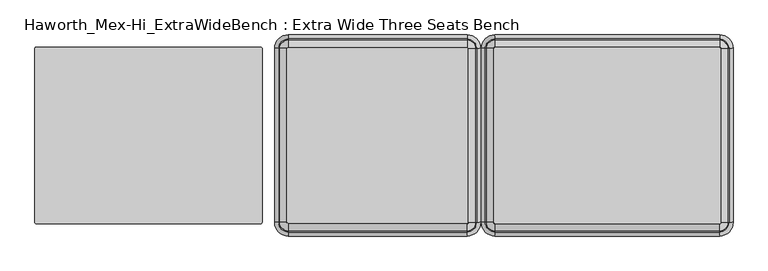
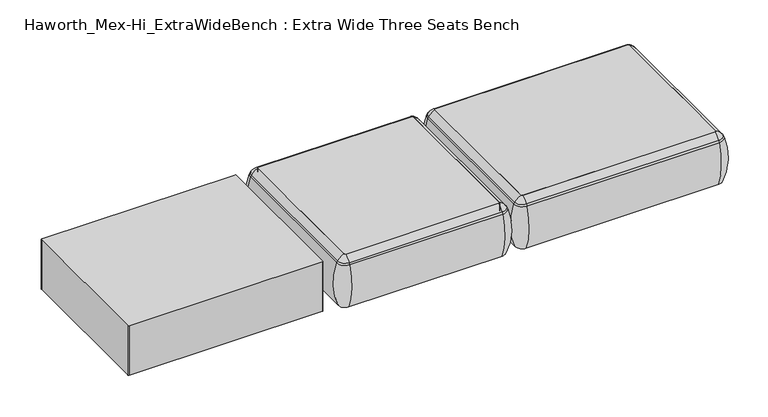
"""IFC4 building model written with IfcOpenShell, lengths in millimetres: furniture geometry, Haworth_Mex-Hi_ExtraWideBench : Extra Wide Three Seats Bench."""

from ifc_helpers import new_model, si_unit, point, frame, frame_2d, origin, place, context, project, spatial, polyline, circle_curve, ellipse_curve, trimmed, segment, composite_curve, outline, extrude, source, transform, mapped, element, save
from ifc_brep_helpers import plane_surface, cylinder_surface, revolved_surface, advanced_brep


def haworth_mex_hi_extrawidebench_extra_wide_three_seats_bench_a4999bfd(model_context):
    return source(origin(), model_context, "Body", "SolidModel", [
        advanced_brep(
        [(-550.6150954, -668.4794123, 390.3914007), (-545.3352882, -673.7592195, 390.3914007), (-545.3352882, -673.7592195, 123.9999984), (-550.6150954, -668.4794123, 123.9999984), (-579.3031396, -668.4794123, 123.9999984), (-545.3352882, -702.4472637, 123.9999984), (-545.3352882, -710.1267287, 353.7769053), (-586.9826046, -668.4794123, 353.7769053), (-550.6150954, 89.8571486, 123.9999984), (-550.6150954, 89.8571486, 390.3914007), (-586.9826046, 89.8571486, 353.7769053), (-579.3031396, 89.8571486, 123.9999984), (-545.3352882, 95.1369558, 390.3914007), (-545.3352882, 95.1369558, 123.9999984), (-545.3352882, 123.825, 123.9999984), (-545.3352882, 131.504465, 353.7769053), (234.4447118, 95.1369558, 123.9999984), (234.4447118, 95.1369558, 390.3914007), (234.4447118, 131.504465, 353.7769053), (234.4447118, 123.825, 123.9999984), (239.7245191, 89.8571486, 390.3914007), (239.7245191, 89.8571486, 123.9999984), (268.4125633, 89.8571486, 123.9999984), (276.0920283, 89.8571486, 353.7769053), (239.7245191, -668.4794123, 123.9999984), (239.7245191, -668.4794123, 390.3914007), (276.0920283, -668.4794123, 353.7769053), (268.4125633, -668.4794123, 123.9999984), (234.4447118, -673.7592195, 390.3914007), (234.4447118, -673.7592195, 123.9999984), (234.4447118, -702.4472637, 123.9999984), (234.4447118, -710.1267287, 353.7769053), (-581.7641447, -668.4794123, 363.6402875), (-545.3352882, -704.9082688, 363.6402875), (-581.7641447, 89.8571486, 363.6402875), (-545.3352882, 126.2860051, 363.6402875), (234.4447118, 126.2860051, 363.6402875), (270.8735684, 89.8571486, 363.6402875), (270.8735684, -668.4794123, 363.6402875), (234.4447118, -704.9082688, 363.6402875)],
        [
            (0, 1, circle_curve(frame((-545.3352882, -668.4794123, 390.3914007), z_axis=(0.0, 0.0, 1.0), x_axis=(0.0, -1.0, 0.0)), 5.2798073)),
            (1, 2),
            (2, 3, circle_curve(frame((-545.3352882, -668.4794123, 123.9999984), z_axis=(0.0, 0.0, -1.0), x_axis=(0.0, -1.0, 0.0)), 5.2798073)),
            (3, 0),
            (4, 5, circle_curve(frame((-545.3352882, -668.4794123, 123.9999984), z_axis=(0.0, 0.0, 1.0), x_axis=(0.0, -1.0, 0.0)), 33.9678514)),
            (5, 6, circle_curve(frame((-545.3352882, -406.0729797, 248.9220234), z_axis=(-1.0, 0.0, 0.0), x_axis=(0.0, -1.0, 0.0)), 321.625914)),
            (6, 7, circle_curve(frame((-545.3352882, -668.4794123, 353.7769053), z_axis=(0.0, 0.0, -1.0), x_axis=(0.0, -1.0, 0.0)), 41.6473165)),
            (7, 4, circle_curve(frame((-282.9288556, -668.4794123, 248.9220234), z_axis=(0.0, -1.0, 0.0), x_axis=(-1.0, 0.0, 0.0)), 321.625914)),
            (3, 8),
            (8, 9),
            (9, 0),
            (7, 10),
            (10, 11, circle_curve(frame((-282.9288556, 89.8571486, 248.9220234), z_axis=(0.0, -1.0, 0.0), x_axis=(-1.0, 0.0, 0.0)), 321.625914)),
            (11, 4),
            (12, 9, circle_curve(frame((-545.3352882, 89.8571486, 390.3914007), z_axis=(0.0, 0.0, 1.0), x_axis=(-1.0, 0.0, 0.0)), 5.2798073)),
            (8, 13, circle_curve(frame((-545.3352882, 89.8571486, 123.9999984), z_axis=(0.0, 0.0, -1.0), x_axis=(-1.0, 0.0, 0.0)), 5.2798073)),
            (13, 12),
            (14, 11, circle_curve(frame((-545.3352882, 89.8571486, 123.9999984), z_axis=(0.0, 0.0, 1.0), x_axis=(-1.0, 0.0, 0.0)), 33.9678514)),
            (10, 15, circle_curve(frame((-545.3352882, 89.8571486, 353.7769053), z_axis=(0.0, 0.0, -1.0), x_axis=(-1.0, 0.0, 0.0)), 41.6473165)),
            (15, 14, circle_curve(frame((-545.3352882, -172.549284, 248.9220234), z_axis=(-1.0, 0.0, 0.0), x_axis=(0.0, 1.0, 0.0)), 321.625914)),
            (13, 16),
            (16, 17),
            (17, 12),
            (15, 18),
            (18, 19, circle_curve(frame((234.4447118, -172.549284, 248.9220234), z_axis=(-1.0, 0.0, 0.0), x_axis=(0.0, 1.0, 0.0)), 321.625914)),
            (19, 14),
            (20, 17, circle_curve(frame((234.4447118, 89.8571486, 390.3914007), z_axis=(0.0, 0.0, 1.0), x_axis=(0.0, 1.0, 0.0)), 5.2798073)),
            (16, 21, circle_curve(frame((234.4447118, 89.8571486, 123.9999984), z_axis=(0.0, 0.0, -1.0), x_axis=(0.0, 1.0, 0.0)), 5.2798073)),
            (21, 20),
            (22, 19, circle_curve(frame((234.4447118, 89.8571486, 123.9999984), z_axis=(0.0, 0.0, 1.0), x_axis=(0.0, 1.0, 0.0)), 33.9678514)),
            (18, 23, circle_curve(frame((234.4447118, 89.8571486, 353.7769053), z_axis=(0.0, 0.0, -1.0), x_axis=(0.0, 1.0, 0.0)), 41.6473165)),
            (23, 22, circle_curve(frame((-27.9617207, 89.8571486, 248.9220234), z_axis=(0.0, 1.0, 0.0), x_axis=(1.0, 0.0, 0.0)), 321.625914)),
            (21, 24),
            (24, 25),
            (25, 20),
            (23, 26),
            (26, 27, circle_curve(frame((-27.9617207, -668.4794123, 248.9220234), z_axis=(0.0, 1.0, 0.0), x_axis=(1.0, 0.0, 0.0)), 321.625914)),
            (27, 22),
            (28, 25, circle_curve(frame((234.4447118, -668.4794123, 390.3914007), z_axis=(0.0, 0.0, 1.0), x_axis=(1.0, 0.0, 0.0)), 5.2798073)),
            (24, 29, circle_curve(frame((234.4447118, -668.4794123, 123.9999984), z_axis=(0.0, 0.0, -1.0), x_axis=(1.0, 0.0, 0.0)), 5.2798073)),
            (29, 28),
            (30, 27, circle_curve(frame((234.4447118, -668.4794123, 123.9999984), z_axis=(0.0, 0.0, 1.0), x_axis=(1.0, 0.0, 0.0)), 33.9678514)),
            (26, 31, circle_curve(frame((234.4447118, -668.4794123, 353.7769053), z_axis=(0.0, 0.0, -1.0), x_axis=(1.0, 0.0, 0.0)), 41.6473165)),
            (31, 30, circle_curve(frame((234.4447118, -406.0729797, 248.9220234), z_axis=(1.0, 0.0, 0.0), x_axis=(0.0, -1.0, 0.0)), 321.625914)),
            (30, 5),
            (2, 29),
            (1, 28),
            (31, 6),
            (32, 33, circle_curve(frame((-545.3352882, -668.4794123, 363.6402875), z_axis=(0.0, 0.0, 1.0), x_axis=(0.0, -1.0, 0.0)), 36.4288566)),
            (33, 1, circle_curve(frame((-545.3352882, -629.5266, 307.3762868), z_axis=(-1.0, 0.0, 0.0), x_axis=(0.0, -1.0, 0.0)), 94.0639876)),
            (0, 32, circle_curve(frame((-506.3824759, -668.4794123, 307.3762868), z_axis=(0.0, -1.0, 0.0), x_axis=(-1.0, 0.0, 0.0)), 94.0639876)),
            (6, 33, circle_curve(frame((-545.3352882, -675.8620096, 341.9604975), z_axis=(-1.0, 0.0, 0.0), x_axis=(0.0, -1.0, 0.0)), 36.2449785)),
            (32, 7, circle_curve(frame((-552.7178855, -668.4794123, 341.9604975), z_axis=(0.0, -1.0, 0.0), x_axis=(-1.0, 0.0, 0.0)), 36.2449785)),
            (9, 34, circle_curve(frame((-506.3824759, 89.8571486, 307.3762868), z_axis=(0.0, -1.0, 0.0), x_axis=(-1.0, 0.0, 0.0)), 94.0639876)),
            (34, 32),
            (34, 10, circle_curve(frame((-552.7178855, 89.8571486, 341.9604975), z_axis=(0.0, -1.0, 0.0), x_axis=(-1.0, 0.0, 0.0)), 36.2449785)),
            (35, 34, circle_curve(frame((-545.3352882, 89.8571486, 363.6402875), z_axis=(0.0, 0.0, 1.0), x_axis=(-1.0, 0.0, 0.0)), 36.4288566)),
            (12, 35, circle_curve(frame((-545.3352882, 50.9043363, 307.3762868), z_axis=(-1.0, 0.0, 0.0), x_axis=(0.0, 1.0, 0.0)), 94.0639876)),
            (35, 15, circle_curve(frame((-545.3352882, 97.2397459, 341.9604975), z_axis=(-1.0, 0.0, 0.0), x_axis=(0.0, 1.0, 0.0)), 36.2449785)),
            (17, 36, circle_curve(frame((234.4447118, 50.9043363, 307.3762868), z_axis=(-1.0, 0.0, 0.0), x_axis=(0.0, 1.0, 0.0)), 94.0639876)),
            (36, 35),
            (36, 18, circle_curve(frame((234.4447118, 97.2397459, 341.9604975), z_axis=(-1.0, 0.0, 0.0), x_axis=(0.0, 1.0, 0.0)), 36.2449785)),
            (37, 36, circle_curve(frame((234.4447118, 89.8571486, 363.6402875), z_axis=(0.0, 0.0, 1.0), x_axis=(0.0, 1.0, 0.0)), 36.4288566)),
            (20, 37, circle_curve(frame((195.4918996, 89.8571486, 307.3762868), z_axis=(0.0, 1.0, 0.0), x_axis=(1.0, 0.0, 0.0)), 94.0639876)),
            (37, 23, circle_curve(frame((241.8273092, 89.8571486, 341.9604975), z_axis=(0.0, 1.0, 0.0), x_axis=(1.0, 0.0, 0.0)), 36.2449785)),
            (25, 38, circle_curve(frame((195.4918996, -668.4794123, 307.3762868), z_axis=(0.0, 1.0, 0.0), x_axis=(1.0, 0.0, 0.0)), 94.0639876)),
            (38, 37),
            (38, 26, circle_curve(frame((241.8273092, -668.4794123, 341.9604975), z_axis=(0.0, 1.0, 0.0), x_axis=(1.0, 0.0, 0.0)), 36.2449785)),
            (39, 38, circle_curve(frame((234.4447118, -668.4794123, 363.6402875), z_axis=(0.0, 0.0, 1.0), x_axis=(1.0, 0.0, 0.0)), 36.4288566)),
            (28, 39, circle_curve(frame((234.4447118, -629.5266, 307.3762868), z_axis=(1.0, 0.0, 0.0), x_axis=(0.0, -1.0, 0.0)), 94.0639876)),
            (39, 31, circle_curve(frame((234.4447118, -675.8620096, 341.9604975), z_axis=(1.0, 0.0, 0.0), x_axis=(0.0, -1.0, 0.0)), 36.2449785)),
            (33, 39),
        ],
        [
            revolved_surface(polyline([(-545.3352882, -673.7592196, 123.9999984), (-545.3352882, -673.7592196, 390.3914007)]), (-545.3352882, -668.4794123, 0.0), (0.0, 0.0, -1.0)),
            revolved_surface(trimmed(ellipse_curve(frame((-545.3352882, -406.0729797, 248.9220234), z_axis=(1.0, 0.0, 0.0), x_axis=(0.0, -1.0, 0.0)), 321.625914, 321.625914), [point((-545.3352882, -710.1267287, 353.7769053))], [point((-545.3352882, -702.4472637, 123.9999984))], True, "CARTESIAN"), (-545.3352882, -668.4794123, 0.0), (0.0, 0.0, -1.0)),
            plane_surface(frame((-550.6150954, -668.4794123, 123.9999984), z_axis=(1.0, 0.0, 0.0), x_axis=(0.0, 1.0, 0.0))),
            cylinder_surface(frame((-282.9288556, -668.4794123, 248.9220234), z_axis=(0.0, -1.0, 0.0), x_axis=(-1.0, 0.0, 0.0)), 321.625914),
            revolved_surface(polyline([(-550.6150955, 89.8571486, 123.9999984), (-550.6150955, 89.8571486, 390.3914007)]), (-545.3352882, 89.8571486, 0.0), (0.0, 0.0, -1.0)),
            revolved_surface(trimmed(ellipse_curve(frame((-282.9288556, 89.8571486, 248.9220234), z_axis=(0.0, -1.0, 0.0), x_axis=(-1.0, 0.0, 0.0)), 321.625914, 321.625914), [point((-586.9826046, 89.8571486, 353.7769053))], [point((-579.3031396, 89.8571486, 123.9999984))], True, "CARTESIAN"), (-545.3352882, 89.8571486, 0.0), (0.0, 0.0, -1.0)),
            plane_surface(frame((-545.3352882, 95.1369558, 123.9999984), z_axis=(0.0, -1.0, 0.0), x_axis=(1.0, 0.0, 0.0))),
            cylinder_surface(frame((-545.3352882, -172.549284, 248.9220234), z_axis=(-1.0, 0.0, 0.0), x_axis=(0.0, 1.0, 0.0)), 321.625914),
            revolved_surface(polyline([(234.4447118, 95.1369559, 123.9999984), (234.4447118, 95.1369559, 390.3914007)]), (234.4447118, 89.8571486, 0.0), (0.0, 0.0, -1.0)),
            revolved_surface(trimmed(ellipse_curve(frame((234.4447118, -172.549284, 248.9220234), z_axis=(-1.0, 0.0, 0.0), x_axis=(0.0, 1.0, 0.0)), 321.625914, 321.625914), [point((234.4447118, 131.504465, 353.7769053))], [point((234.4447118, 123.825, 123.9999984))], True, "CARTESIAN"), (234.4447118, 89.8571486, 0.0), (0.0, 0.0, -1.0)),
            plane_surface(frame((239.7245191, 89.8571486, 123.9999984), z_axis=(-1.0, 0.0, 0.0), x_axis=(0.0, -1.0, 0.0))),
            cylinder_surface(frame((-27.9617207, 89.8571486, 248.9220234), z_axis=(0.0, 1.0, 0.0), x_axis=(1.0, 0.0, 0.0)), 321.625914),
            revolved_surface(polyline([(239.72451909999998, -668.4794123, 123.9999984), (239.72451909999998, -668.4794123, 390.3914007)]), (234.4447118, -668.4794123, 0.0), (0.0, 0.0, -1.0)),
            revolved_surface(trimmed(ellipse_curve(frame((-27.9617207, -668.4794123, 248.9220234), z_axis=(0.0, 1.0, 0.0), x_axis=(1.0, 0.0, 0.0)), 321.625914, 321.625914), [point((276.0920283, -668.4794123, 353.7769053))], [point((268.4125633, -668.4794123, 123.9999984))], True, "CARTESIAN"), (234.4447118, -668.4794123, 0.0), (0.0, 0.0, -1.0)),
            plane_surface(frame((234.4447118, -702.4472637, 123.9999984), z_axis=(0.0, 0.0, -1.0), x_axis=(-1.0, 0.0, 0.0))),
            plane_surface(frame((234.4447118, -673.7592195, 123.9999984), z_axis=(0.0, 1.0, 0.0), x_axis=(-1.0, 0.0, 0.0))),
            cylinder_surface(frame((234.4447118, -406.0729797, 248.9220234), z_axis=(1.0, 0.0, 0.0), x_axis=(0.0, -1.0, 0.0)), 321.625914),
            revolved_surface(trimmed(ellipse_curve(frame((-545.3352882, -629.5266, 307.3762868), z_axis=(1.0, 0.0, 0.0), x_axis=(0.0, -1.0, 0.0)), 94.0639876, 94.0639876), [point((-545.3352882, -673.7592195, 390.3914007))], [point((-545.3352882, -704.9082688, 363.6402875))], True, "CARTESIAN"), (-545.3352882, -668.4794123, 0.0), (0.0, 0.0, -1.0)),
            revolved_surface(trimmed(ellipse_curve(frame((-545.3352882, -675.8620096, 341.9604975), z_axis=(1.0, 0.0, 0.0), x_axis=(0.0, -1.0, 0.0)), 36.2449785, 36.2449785), [point((-545.3352882, -704.9082688, 363.6402875))], [point((-545.3352882, -710.1267287, 353.7769053))], True, "CARTESIAN"), (-545.3352882, -668.4794123, 0.0), (0.0, 0.0, -1.0)),
            cylinder_surface(frame((-506.3824759, -668.4794123, 307.3762868), z_axis=(0.0, -1.0, 0.0), x_axis=(-1.0, 0.0, 0.0)), 94.0639876),
            cylinder_surface(frame((-552.7178855, -668.4794123, 341.9604975), z_axis=(0.0, -1.0, 0.0), x_axis=(-1.0, 0.0, 0.0)), 36.2449785),
            revolved_surface(trimmed(ellipse_curve(frame((-506.3824759, 89.8571486, 307.3762868), z_axis=(0.0, -1.0, 0.0), x_axis=(-1.0, 0.0, 0.0)), 94.0639876, 94.0639876), [point((-550.6150954, 89.8571486, 390.3914007))], [point((-581.7641447, 89.8571486, 363.6402875))], True, "CARTESIAN"), (-545.3352882, 89.8571486, 0.0), (0.0, 0.0, -1.0)),
            revolved_surface(trimmed(ellipse_curve(frame((-552.7178855, 89.8571486, 341.9604975), z_axis=(0.0, -1.0, 0.0), x_axis=(-1.0, 0.0, 0.0)), 36.2449785, 36.2449785), [point((-581.7641447, 89.8571486, 363.6402875))], [point((-586.9826046, 89.8571486, 353.7769053))], True, "CARTESIAN"), (-545.3352882, 89.8571486, 0.0), (0.0, 0.0, -1.0)),
            cylinder_surface(frame((-545.3352882, 50.9043363, 307.3762868), z_axis=(-1.0, 0.0, 0.0), x_axis=(0.0, 1.0, 0.0)), 94.0639876),
            cylinder_surface(frame((-545.3352882, 97.2397459, 341.9604975), z_axis=(-1.0, 0.0, 0.0), x_axis=(0.0, 1.0, 0.0)), 36.2449785),
            revolved_surface(trimmed(ellipse_curve(frame((234.4447118, 50.9043363, 307.3762868), z_axis=(-1.0, 0.0, 0.0), x_axis=(0.0, 1.0, 0.0)), 94.0639876, 94.0639876), [point((234.4447118, 95.1369558, 390.3914007))], [point((234.4447118, 126.2860051, 363.6402875))], True, "CARTESIAN"), (234.4447118, 89.8571486, 0.0), (0.0, 0.0, -1.0)),
            revolved_surface(trimmed(ellipse_curve(frame((234.4447118, 97.2397459, 341.9604975), z_axis=(-1.0, 0.0, 0.0), x_axis=(0.0, 1.0, 0.0)), 36.2449785, 36.2449785), [point((234.4447118, 126.2860051, 363.6402875))], [point((234.4447118, 131.504465, 353.7769053))], True, "CARTESIAN"), (234.4447118, 89.8571486, 0.0), (0.0, 0.0, -1.0)),
            cylinder_surface(frame((195.4918996, 89.8571486, 307.3762868), z_axis=(0.0, 1.0, 0.0), x_axis=(1.0, 0.0, 0.0)), 94.0639876),
            cylinder_surface(frame((241.8273092, 89.8571486, 341.9604975), z_axis=(0.0, 1.0, 0.0), x_axis=(1.0, 0.0, 0.0)), 36.2449785),
            revolved_surface(trimmed(ellipse_curve(frame((195.4918996, -668.4794123, 307.3762868), z_axis=(0.0, 1.0, 0.0), x_axis=(1.0, 0.0, 0.0)), 94.0639876, 94.0639876), [point((239.7245191, -668.4794123, 390.3914007))], [point((270.8735684, -668.4794123, 363.6402875))], True, "CARTESIAN"), (234.4447118, -668.4794123, 0.0), (0.0, 0.0, -1.0)),
            revolved_surface(trimmed(ellipse_curve(frame((241.8273092, -668.4794123, 341.9604975), z_axis=(0.0, 1.0, 0.0), x_axis=(1.0, 0.0, 0.0)), 36.2449785, 36.2449785), [point((270.8735684, -668.4794123, 363.6402875))], [point((276.0920283, -668.4794123, 353.7769053))], True, "CARTESIAN"), (234.4447118, -668.4794123, 0.0), (0.0, 0.0, -1.0)),
            cylinder_surface(frame((234.4447118, -629.5266, 307.3762868), z_axis=(1.0, 0.0, 0.0), x_axis=(0.0, -1.0, 0.0)), 94.0639876),
            cylinder_surface(frame((234.4447118, -675.8620096, 341.9604975), z_axis=(1.0, 0.0, 0.0), x_axis=(0.0, -1.0, 0.0)), 36.2449785),
        ],
        [
            (0, [[1, 2, 3, 4]]),
            (1, [[5, 6, 7, 8]]),
            (2, [[-4, 9, 10, 11]]),
            (3, [[-8, 12, 13, 14]]),
            (4, [[15, -10, 16, 17]]),
            (5, [[18, -13, 19, 20]]),
            (6, [[-17, 21, 22, 23]]),
            (7, [[-20, 24, 25, 26]]),
            (8, [[27, -22, 28, 29]]),
            (9, [[30, -25, 31, 32]]),
            (10, [[-29, 33, 34, 35]]),
            (11, [[-32, 36, 37, 38]]),
            (12, [[39, -34, 40, 41]]),
            (13, [[42, -37, 43, 44]]),
            (14, [[-38, -42, 45, -5, -14, -18, -26, -30], [46, -40, -33, -28, -21, -16, -9, -3]]),
            (15, [[-41, -46, -2, 47]]),
            (16, [[-44, 48, -6, -45]]),
            (17, [[49, 50, -1, 51]]),
            (18, [[-7, 52, -49, 53]]),
            (19, [[-51, -11, 54, 55]]),
            (20, [[-53, -55, 56, -12]]),
            (21, [[57, -54, -15, 58]]),
            (22, [[-19, -56, -57, 59]]),
            (23, [[-58, -23, 60, 61]]),
            (24, [[-59, -61, 62, -24]]),
            (25, [[63, -60, -27, 64]]),
            (26, [[-31, -62, -63, 65]]),
            (27, [[-64, -35, 66, 67]]),
            (28, [[-65, -67, 68, -36]]),
            (29, [[69, -66, -39, 70]]),
            (30, [[-43, -68, -69, 71]]),
            (31, [[-70, -47, -50, 72]]),
            (32, [[-71, -72, -52, -48]]),
        ],
    ),
        extrude(outline(composite_curve([segment(trimmed(circle_curve(frame_2d((234.4447118, -668.4794123)), 5.2798073), [point((239.7245191, -668.4794123))], [point((234.4447118, -673.7592195))], False, "CARTESIAN"), True, "CONTINUOUS"), segment(polyline([(234.4447118, -673.7592195), (-545.3352882, -673.7592195)]), True, "CONTINUOUS"), segment(trimmed(circle_curve(frame_2d((-545.3352882, -668.4794123)), 5.2798073), [point((-545.3352882, -673.7592195))], [point((-550.6150954, -668.4794123))], False, "CARTESIAN"), True, "CONTINUOUS"), segment(polyline([(-550.6150954, -668.4794123), (-550.6150954, 89.8571486)]), True, "CONTINUOUS"), segment(trimmed(circle_curve(frame_2d((-545.3352882, 89.8571486)), 5.2798073), [point((-550.6150954, 89.8571486))], [point((-545.3352882, 95.1369558))], False, "CARTESIAN"), True, "CONTINUOUS"), segment(polyline([(-545.3352882, 95.1369558), (234.4447118, 95.1369558)]), True, "CONTINUOUS"), segment(trimmed(circle_curve(frame_2d((234.4447118, 89.8571486)), 5.2798073), [point((234.4447118, 95.1369558))], [point((239.7245191, 89.8571486))], False, "CARTESIAN"), True, "CONTINUOUS"), segment(polyline([(239.7245191, 89.8571486), (239.7245191, -668.4794123)]), True, "CONTINUOUS")], self_intersect=False)), frame((0.0, 0.0, 123.9999984), z_axis=(0.0, 0.0, 1.0), x_axis=(1.0, 0.0, 0.0)), (0.0, 0.0, 1.0), 266.3914023),
        extrude(outline(composite_curve([segment(trimmed(circle_curve(frame_2d((1334.6615868, -668.4794123)), 5.2798073), [point((1339.9413941, -668.4794123))], [point((1334.6615868, -673.7592195))], False, "CARTESIAN"), True, "CONTINUOUS"), segment(polyline([(1334.6615868, -673.7592195), (355.4915868, -673.7592195)]), True, "CONTINUOUS"), segment(trimmed(circle_curve(frame_2d((355.4915868, -668.4794123)), 5.2798073), [point((355.4915868, -673.7592195))], [point((350.2117796, -668.4794123))], False, "CARTESIAN"), True, "CONTINUOUS"), segment(polyline([(350.2117796, -668.4794123), (350.2117796, 89.8571486)]), True, "CONTINUOUS"), segment(trimmed(circle_curve(frame_2d((355.4915868, 89.8571486)), 5.2798073), [point((350.2117796, 89.8571486))], [point((355.4915868, 95.1369558))], False, "CARTESIAN"), True, "CONTINUOUS"), segment(polyline([(355.4915868, 95.1369558), (1334.6615868, 95.1369558)]), True, "CONTINUOUS"), segment(trimmed(circle_curve(frame_2d((1334.6615868, 89.8571486)), 5.2798073), [point((1334.6615868, 95.1369558))], [point((1339.9413941, 89.8571486))], False, "CARTESIAN"), True, "CONTINUOUS"), segment(polyline([(1339.9413941, 89.8571486), (1339.9413941, -668.4794123)]), True, "CONTINUOUS")], self_intersect=False)), frame((0.0, 0.0, 123.9999984), z_axis=(0.0, 0.0, 1.0), x_axis=(1.0, 0.0, 0.0)), (0.0, 0.0, 1.0), 266.3914023),
        advanced_brep(
        [(350.2117796, -668.4794123, 390.3914007), (355.4915868, -673.7592195, 390.3914007), (355.4915868, -673.7592195, 123.9999984), (350.2117796, -668.4794123, 123.9999984), (321.5237354, -668.4794123, 123.9999984), (355.4915868, -702.4472637, 123.9999984), (355.4915868, -710.1267287, 353.7769053), (313.8442704, -668.4794123, 353.7769053), (350.2117796, 89.8571486, 123.9999984), (350.2117796, 89.8571486, 390.3914007), (313.8442704, 89.8571486, 353.7769053), (321.5237354, 89.8571486, 123.9999984), (355.4915868, 95.1369558, 390.3914007), (355.4915868, 95.1369558, 123.9999984), (355.4915868, 123.825, 123.9999984), (355.4915868, 131.504465, 353.7769053), (1334.6615868, 95.1369558, 123.9999984), (1334.6615868, 95.1369558, 390.3914007), (1334.6615868, 131.504465, 353.7769053), (1334.6615868, 123.825, 123.9999984), (1339.9413941, 89.8571486, 390.3914007), (1339.9413941, 89.8571486, 123.9999984), (1368.6294383, 89.8571486, 123.9999984), (1376.3089033, 89.8571486, 353.7769053), (1339.9413941, -668.4794123, 123.9999984), (1339.9413941, -668.4794123, 390.3914007), (1376.3089033, -668.4794123, 353.7769053), (1368.6294383, -668.4794123, 123.9999984), (1334.6615868, -673.7592195, 390.3914007), (1334.6615868, -673.7592195, 123.9999984), (1334.6615868, -702.4472637, 123.9999984), (1334.6615868, -710.1267287, 353.7769053), (319.0627303, -668.4794123, 363.6402875), (355.4915868, -704.9082688, 363.6402875), (319.0627303, 89.8571486, 363.6402875), (355.4915868, 126.2860051, 363.6402875), (1334.6615868, 126.2860051, 363.6402875), (1371.0904434, 89.8571486, 363.6402875), (1371.0904434, -668.4794123, 363.6402875), (1334.6615868, -704.9082688, 363.6402875)],
        [
            (0, 1, circle_curve(frame((355.4915868, -668.4794123, 390.3914007), z_axis=(0.0, 0.0, 1.0), x_axis=(0.0, -1.0, 0.0)), 5.2798073)),
            (1, 2),
            (2, 3, circle_curve(frame((355.4915868, -668.4794123, 123.9999984), z_axis=(0.0, 0.0, -1.0), x_axis=(0.0, -1.0, 0.0)), 5.2798073)),
            (3, 0),
            (4, 5, circle_curve(frame((355.4915868, -668.4794123, 123.9999984), z_axis=(0.0, 0.0, 1.0), x_axis=(0.0, -1.0, 0.0)), 33.9678514)),
            (5, 6, circle_curve(frame((355.4915868, -406.0729797, 248.9220234), z_axis=(-1.0, 0.0, 0.0), x_axis=(0.0, -1.0, 0.0)), 321.625914)),
            (6, 7, circle_curve(frame((355.4915868, -668.4794123, 353.7769053), z_axis=(0.0, 0.0, -1.0), x_axis=(0.0, -1.0, 0.0)), 41.6473165)),
            (7, 4, circle_curve(frame((617.8980194, -668.4794123, 248.9220234), z_axis=(0.0, -1.0, 0.0), x_axis=(-1.0, 0.0, 0.0)), 321.625914)),
            (3, 8),
            (8, 9),
            (9, 0),
            (7, 10),
            (10, 11, circle_curve(frame((617.8980194, 89.8571486, 248.9220234), z_axis=(0.0, -1.0, 0.0), x_axis=(-1.0, 0.0, 0.0)), 321.625914)),
            (11, 4),
            (12, 9, circle_curve(frame((355.4915868, 89.8571486, 390.3914007), z_axis=(0.0, 0.0, 1.0), x_axis=(-1.0, 0.0, 0.0)), 5.2798073)),
            (8, 13, circle_curve(frame((355.4915868, 89.8571486, 123.9999984), z_axis=(0.0, 0.0, -1.0), x_axis=(-1.0, 0.0, 0.0)), 5.2798073)),
            (13, 12),
            (14, 11, circle_curve(frame((355.4915868, 89.8571486, 123.9999984), z_axis=(0.0, 0.0, 1.0), x_axis=(-1.0, 0.0, 0.0)), 33.9678514)),
            (10, 15, circle_curve(frame((355.4915868, 89.8571486, 353.7769053), z_axis=(0.0, 0.0, -1.0), x_axis=(-1.0, 0.0, 0.0)), 41.6473165)),
            (15, 14, circle_curve(frame((355.4915868, -172.549284, 248.9220234), z_axis=(-1.0, 0.0, 0.0), x_axis=(0.0, 1.0, 0.0)), 321.625914)),
            (13, 16),
            (16, 17),
            (17, 12),
            (15, 18),
            (18, 19, circle_curve(frame((1334.6615868, -172.549284, 248.9220234), z_axis=(-1.0, 0.0, 0.0), x_axis=(0.0, 1.0, 0.0)), 321.625914)),
            (19, 14),
            (20, 17, circle_curve(frame((1334.6615868, 89.8571486, 390.3914007), z_axis=(0.0, 0.0, 1.0), x_axis=(0.0, 1.0, 0.0)), 5.2798073)),
            (16, 21, circle_curve(frame((1334.6615868, 89.8571486, 123.9999984), z_axis=(0.0, 0.0, -1.0), x_axis=(0.0, 1.0, 0.0)), 5.2798073)),
            (21, 20),
            (22, 19, circle_curve(frame((1334.6615868, 89.8571486, 123.9999984), z_axis=(0.0, 0.0, 1.0), x_axis=(0.0, 1.0, 0.0)), 33.9678514)),
            (18, 23, circle_curve(frame((1334.6615868, 89.8571486, 353.7769053), z_axis=(0.0, 0.0, -1.0), x_axis=(0.0, 1.0, 0.0)), 41.6473165)),
            (23, 22, circle_curve(frame((1072.2551543, 89.8571486, 248.9220234), z_axis=(0.0, 1.0, 0.0), x_axis=(1.0, 0.0, 0.0)), 321.625914)),
            (21, 24),
            (24, 25),
            (25, 20),
            (23, 26),
            (26, 27, circle_curve(frame((1072.2551543, -668.4794123, 248.9220234), z_axis=(0.0, 1.0, 0.0), x_axis=(1.0, 0.0, 0.0)), 321.625914)),
            (27, 22),
            (28, 25, circle_curve(frame((1334.6615868, -668.4794123, 390.3914007), z_axis=(0.0, 0.0, 1.0), x_axis=(1.0, 0.0, 0.0)), 5.2798073)),
            (24, 29, circle_curve(frame((1334.6615868, -668.4794123, 123.9999984), z_axis=(0.0, 0.0, -1.0), x_axis=(1.0, 0.0, 0.0)), 5.2798073)),
            (29, 28),
            (30, 27, circle_curve(frame((1334.6615868, -668.4794123, 123.9999984), z_axis=(0.0, 0.0, 1.0), x_axis=(1.0, 0.0, 0.0)), 33.9678514)),
            (26, 31, circle_curve(frame((1334.6615868, -668.4794123, 353.7769053), z_axis=(0.0, 0.0, -1.0), x_axis=(1.0, 0.0, 0.0)), 41.6473165)),
            (31, 30, circle_curve(frame((1334.6615868, -406.0729797, 248.9220234), z_axis=(1.0, 0.0, 0.0), x_axis=(0.0, -1.0, 0.0)), 321.625914)),
            (30, 5),
            (2, 29),
            (1, 28),
            (31, 6),
            (32, 33, circle_curve(frame((355.4915868, -668.4794123, 363.6402875), z_axis=(0.0, 0.0, 1.0), x_axis=(0.0, -1.0, 0.0)), 36.4288566)),
            (33, 1, circle_curve(frame((355.4915868, -629.5266, 307.3762868), z_axis=(-1.0, 0.0, 0.0), x_axis=(0.0, -1.0, 0.0)), 94.0639876)),
            (0, 32, circle_curve(frame((394.4443991, -668.4794123, 307.3762868), z_axis=(0.0, -1.0, 0.0), x_axis=(-1.0, 0.0, 0.0)), 94.0639876)),
            (6, 33, circle_curve(frame((355.4915868, -675.8620096, 341.9604975), z_axis=(-1.0, 0.0, 0.0), x_axis=(0.0, -1.0, 0.0)), 36.2449785)),
            (32, 7, circle_curve(frame((348.1089895, -668.4794123, 341.9604975), z_axis=(0.0, -1.0, 0.0), x_axis=(-1.0, 0.0, 0.0)), 36.2449785)),
            (9, 34, circle_curve(frame((394.4443991, 89.8571486, 307.3762868), z_axis=(0.0, -1.0, 0.0), x_axis=(-1.0, 0.0, 0.0)), 94.0639876)),
            (34, 32),
            (34, 10, circle_curve(frame((348.1089895, 89.8571486, 341.9604975), z_axis=(0.0, -1.0, 0.0), x_axis=(-1.0, 0.0, 0.0)), 36.2449785)),
            (35, 34, circle_curve(frame((355.4915868, 89.8571486, 363.6402875), z_axis=(0.0, 0.0, 1.0), x_axis=(-1.0, 0.0, 0.0)), 36.4288566)),
            (12, 35, circle_curve(frame((355.4915868, 50.9043363, 307.3762868), z_axis=(-1.0, 0.0, 0.0), x_axis=(0.0, 1.0, 0.0)), 94.0639876)),
            (35, 15, circle_curve(frame((355.4915868, 97.2397459, 341.9604975), z_axis=(-1.0, 0.0, 0.0), x_axis=(0.0, 1.0, 0.0)), 36.2449785)),
            (17, 36, circle_curve(frame((1334.6615868, 50.9043363, 307.3762868), z_axis=(-1.0, 0.0, 0.0), x_axis=(0.0, 1.0, 0.0)), 94.0639876)),
            (36, 35),
            (36, 18, circle_curve(frame((1334.6615868, 97.2397459, 341.9604975), z_axis=(-1.0, 0.0, 0.0), x_axis=(0.0, 1.0, 0.0)), 36.2449785)),
            (37, 36, circle_curve(frame((1334.6615868, 89.8571486, 363.6402875), z_axis=(0.0, 0.0, 1.0), x_axis=(0.0, 1.0, 0.0)), 36.4288566)),
            (20, 37, circle_curve(frame((1295.7087746, 89.8571486, 307.3762868), z_axis=(0.0, 1.0, 0.0), x_axis=(1.0, 0.0, 0.0)), 94.0639876)),
            (37, 23, circle_curve(frame((1342.0441842, 89.8571486, 341.9604975), z_axis=(0.0, 1.0, 0.0), x_axis=(1.0, 0.0, 0.0)), 36.2449785)),
            (25, 38, circle_curve(frame((1295.7087746, -668.4794123, 307.3762868), z_axis=(0.0, 1.0, 0.0), x_axis=(1.0, 0.0, 0.0)), 94.0639876)),
            (38, 37),
            (38, 26, circle_curve(frame((1342.0441842, -668.4794123, 341.9604975), z_axis=(0.0, 1.0, 0.0), x_axis=(1.0, 0.0, 0.0)), 36.2449785)),
            (39, 38, circle_curve(frame((1334.6615868, -668.4794123, 363.6402875), z_axis=(0.0, 0.0, 1.0), x_axis=(1.0, 0.0, 0.0)), 36.4288566)),
            (28, 39, circle_curve(frame((1334.6615868, -629.5266, 307.3762868), z_axis=(1.0, 0.0, 0.0), x_axis=(0.0, -1.0, 0.0)), 94.0639876)),
            (39, 31, circle_curve(frame((1334.6615868, -675.8620096, 341.9604975), z_axis=(1.0, 0.0, 0.0), x_axis=(0.0, -1.0, 0.0)), 36.2449785)),
            (33, 39),
        ],
        [
            revolved_surface(polyline([(355.4915868, -673.7592196, 123.9999984), (355.4915868, -673.7592196, 390.3914007)]), (355.4915868, -668.4794123, 0.0), (0.0, 0.0, -1.0)),
            revolved_surface(trimmed(ellipse_curve(frame((355.4915868, -406.0729797, 248.9220234), z_axis=(1.0, 0.0, 0.0), x_axis=(0.0, -1.0, 0.0)), 321.625914, 321.625914), [point((355.4915868, -710.1267287, 353.7769053))], [point((355.4915868, -702.4472637, 123.9999984))], True, "CARTESIAN"), (355.4915868, -668.4794123, 0.0), (0.0, 0.0, -1.0)),
            plane_surface(frame((350.2117796, -668.4794123, 123.9999984), z_axis=(1.0, 0.0, 0.0), x_axis=(0.0, 1.0, 0.0))),
            cylinder_surface(frame((617.8980194, -668.4794123, 248.9220234), z_axis=(0.0, -1.0, 0.0), x_axis=(-1.0, 0.0, 0.0)), 321.625914),
            revolved_surface(polyline([(350.2117795, 89.8571486, 123.9999984), (350.2117795, 89.8571486, 390.3914007)]), (355.4915868, 89.8571486, 0.0), (0.0, 0.0, -1.0)),
            revolved_surface(trimmed(ellipse_curve(frame((617.8980194, 89.8571486, 248.9220234), z_axis=(0.0, -1.0, 0.0), x_axis=(-1.0, 0.0, 0.0)), 321.625914, 321.625914), [point((313.8442704, 89.8571486, 353.7769053))], [point((321.5237354, 89.8571486, 123.9999984))], True, "CARTESIAN"), (355.4915868, 89.8571486, 0.0), (0.0, 0.0, -1.0)),
            plane_surface(frame((355.4915868, 95.1369558, 123.9999984), z_axis=(0.0, -1.0, 0.0), x_axis=(1.0, 0.0, 0.0))),
            cylinder_surface(frame((355.4915868, -172.549284, 248.9220234), z_axis=(-1.0, 0.0, 0.0), x_axis=(0.0, 1.0, 0.0)), 321.625914),
            revolved_surface(polyline([(1334.6615868, 95.1369559, 123.9999984), (1334.6615868, 95.1369559, 390.3914007)]), (1334.6615868, 89.8571486, 0.0), (0.0, 0.0, -1.0)),
            revolved_surface(trimmed(ellipse_curve(frame((1334.6615868, -172.549284, 248.9220234), z_axis=(-1.0, 0.0, 0.0), x_axis=(0.0, 1.0, 0.0)), 321.625914, 321.625914), [point((1334.6615868, 131.504465, 353.7769053))], [point((1334.6615868, 123.825, 123.9999984))], True, "CARTESIAN"), (1334.6615868, 89.8571486, 0.0), (0.0, 0.0, -1.0)),
            plane_surface(frame((1339.9413941, 89.8571486, 123.9999984), z_axis=(-1.0, 0.0, 0.0), x_axis=(0.0, -1.0, 0.0))),
            cylinder_surface(frame((1072.2551543, 89.8571486, 248.9220234), z_axis=(0.0, 1.0, 0.0), x_axis=(1.0, 0.0, 0.0)), 321.625914),
            revolved_surface(polyline([(1339.9413940999998, -668.4794123, 123.9999984), (1339.9413940999998, -668.4794123, 390.3914007)]), (1334.6615868, -668.4794123, 0.0), (0.0, 0.0, -1.0)),
            revolved_surface(trimmed(ellipse_curve(frame((1072.2551543, -668.4794123, 248.9220234), z_axis=(0.0, 1.0, 0.0), x_axis=(1.0, 0.0, 0.0)), 321.625914, 321.625914), [point((1376.3089033, -668.4794123, 353.7769053))], [point((1368.6294383, -668.4794123, 123.9999984))], True, "CARTESIAN"), (1334.6615868, -668.4794123, 0.0), (0.0, 0.0, -1.0)),
            plane_surface(frame((1334.6615868, -702.4472637, 123.9999984), z_axis=(0.0, 0.0, -1.0), x_axis=(-1.0, 0.0, 0.0))),
            plane_surface(frame((1334.6615868, -673.7592195, 123.9999984), z_axis=(0.0, 1.0, 0.0), x_axis=(-1.0, 0.0, 0.0))),
            cylinder_surface(frame((1334.6615868, -406.0729797, 248.9220234), z_axis=(1.0, 0.0, 0.0), x_axis=(0.0, -1.0, 0.0)), 321.625914),
            revolved_surface(trimmed(ellipse_curve(frame((355.4915868, -629.5266, 307.3762868), z_axis=(1.0, 0.0, 0.0), x_axis=(0.0, -1.0, 0.0)), 94.0639876, 94.0639876), [point((355.4915868, -673.7592195, 390.3914007))], [point((355.4915868, -704.9082688, 363.6402875))], True, "CARTESIAN"), (355.4915868, -668.4794123, 0.0), (0.0, 0.0, -1.0)),
            revolved_surface(trimmed(ellipse_curve(frame((355.4915868, -675.8620096, 341.9604975), z_axis=(1.0, 0.0, 0.0), x_axis=(0.0, -1.0, 0.0)), 36.2449785, 36.2449785), [point((355.4915868, -704.9082688, 363.6402875))], [point((355.4915868, -710.1267287, 353.7769053))], True, "CARTESIAN"), (355.4915868, -668.4794123, 0.0), (0.0, 0.0, -1.0)),
            cylinder_surface(frame((394.4443991, -668.4794123, 307.3762868), z_axis=(0.0, -1.0, 0.0), x_axis=(-1.0, 0.0, 0.0)), 94.0639876),
            cylinder_surface(frame((348.1089895, -668.4794123, 341.9604975), z_axis=(0.0, -1.0, 0.0), x_axis=(-1.0, 0.0, 0.0)), 36.2449785),
            revolved_surface(trimmed(ellipse_curve(frame((394.4443991, 89.8571486, 307.3762868), z_axis=(0.0, -1.0, 0.0), x_axis=(-1.0, 0.0, 0.0)), 94.0639876, 94.0639876), [point((350.2117796, 89.8571486, 390.3914007))], [point((319.0627303, 89.8571486, 363.6402875))], True, "CARTESIAN"), (355.4915868, 89.8571486, 0.0), (0.0, 0.0, -1.0)),
            revolved_surface(trimmed(ellipse_curve(frame((348.1089895, 89.8571486, 341.9604975), z_axis=(0.0, -1.0, 0.0), x_axis=(-1.0, 0.0, 0.0)), 36.2449785, 36.2449785), [point((319.0627303, 89.8571486, 363.6402875))], [point((313.8442704, 89.8571486, 353.7769053))], True, "CARTESIAN"), (355.4915868, 89.8571486, 0.0), (0.0, 0.0, -1.0)),
            cylinder_surface(frame((355.4915868, 50.9043363, 307.3762868), z_axis=(-1.0, 0.0, 0.0), x_axis=(0.0, 1.0, 0.0)), 94.0639876),
            cylinder_surface(frame((355.4915868, 97.2397459, 341.9604975), z_axis=(-1.0, 0.0, 0.0), x_axis=(0.0, 1.0, 0.0)), 36.2449785),
            revolved_surface(trimmed(ellipse_curve(frame((1334.6615868, 50.9043363, 307.3762868), z_axis=(-1.0, 0.0, 0.0), x_axis=(0.0, 1.0, 0.0)), 94.0639876, 94.0639876), [point((1334.6615868, 95.1369558, 390.3914007))], [point((1334.6615868, 126.2860051, 363.6402875))], True, "CARTESIAN"), (1334.6615868, 89.8571486, 0.0), (0.0, 0.0, -1.0)),
            revolved_surface(trimmed(ellipse_curve(frame((1334.6615868, 97.2397459, 341.9604975), z_axis=(-1.0, 0.0, 0.0), x_axis=(0.0, 1.0, 0.0)), 36.2449785, 36.2449785), [point((1334.6615868, 126.2860051, 363.6402875))], [point((1334.6615868, 131.504465, 353.7769053))], True, "CARTESIAN"), (1334.6615868, 89.8571486, 0.0), (0.0, 0.0, -1.0)),
            cylinder_surface(frame((1295.7087746, 89.8571486, 307.3762868), z_axis=(0.0, 1.0, 0.0), x_axis=(1.0, 0.0, 0.0)), 94.0639876),
            cylinder_surface(frame((1342.0441842, 89.8571486, 341.9604975), z_axis=(0.0, 1.0, 0.0), x_axis=(1.0, 0.0, 0.0)), 36.2449785),
            revolved_surface(trimmed(ellipse_curve(frame((1295.7087746, -668.4794123, 307.3762868), z_axis=(0.0, 1.0, 0.0), x_axis=(1.0, 0.0, 0.0)), 94.0639876, 94.0639876), [point((1339.9413941, -668.4794123, 390.3914007))], [point((1371.0904434, -668.4794123, 363.6402875))], True, "CARTESIAN"), (1334.6615868, -668.4794123, 0.0), (0.0, 0.0, -1.0)),
            revolved_surface(trimmed(ellipse_curve(frame((1342.0441842, -668.4794123, 341.9604975), z_axis=(0.0, 1.0, 0.0), x_axis=(1.0, 0.0, 0.0)), 36.2449785, 36.2449785), [point((1371.0904434, -668.4794123, 363.6402875))], [point((1376.3089033, -668.4794123, 353.7769053))], True, "CARTESIAN"), (1334.6615868, -668.4794123, 0.0), (0.0, 0.0, -1.0)),
            cylinder_surface(frame((1334.6615868, -629.5266, 307.3762868), z_axis=(1.0, 0.0, 0.0), x_axis=(0.0, -1.0, 0.0)), 94.0639876),
            cylinder_surface(frame((1334.6615868, -675.8620096, 341.9604975), z_axis=(1.0, 0.0, 0.0), x_axis=(0.0, -1.0, 0.0)), 36.2449785),
        ],
        [
            (0, [[1, 2, 3, 4]]),
            (1, [[5, 6, 7, 8]]),
            (2, [[-4, 9, 10, 11]]),
            (3, [[-8, 12, 13, 14]]),
            (4, [[15, -10, 16, 17]]),
            (5, [[18, -13, 19, 20]]),
            (6, [[-17, 21, 22, 23]]),
            (7, [[-20, 24, 25, 26]]),
            (8, [[27, -22, 28, 29]]),
            (9, [[30, -25, 31, 32]]),
            (10, [[-29, 33, 34, 35]]),
            (11, [[-32, 36, 37, 38]]),
            (12, [[39, -34, 40, 41]]),
            (13, [[42, -37, 43, 44]]),
            (14, [[-38, -42, 45, -5, -14, -18, -26, -30], [46, -40, -33, -28, -21, -16, -9, -3]]),
            (15, [[-41, -46, -2, 47]]),
            (16, [[-44, 48, -6, -45]]),
            (17, [[49, 50, -1, 51]]),
            (18, [[-7, 52, -49, 53]]),
            (19, [[-51, -11, 54, 55]]),
            (20, [[-53, -55, 56, -12]]),
            (21, [[57, -54, -15, 58]]),
            (22, [[-19, -56, -57, 59]]),
            (23, [[-58, -23, 60, 61]]),
            (24, [[-59, -61, 62, -24]]),
            (25, [[63, -60, -27, 64]]),
            (26, [[-31, -62, -63, 65]]),
            (27, [[-64, -35, 66, 67]]),
            (28, [[-65, -67, 68, -36]]),
            (29, [[69, -66, -39, 70]]),
            (30, [[-43, -68, -69, 71]]),
            (31, [[-70, -47, -50, 72]]),
            (32, [[-71, -72, -52, -48]]),
        ],
    ),
        extrude(outline(composite_curve([segment(trimmed(circle_curve(frame_2d((-664.6688998, -668.4794123)), 5.2798073), [point((-659.3890925, -668.4794123))], [point((-664.6688998, -673.7592195))], False, "CARTESIAN"), True, "CONTINUOUS"), segment(polyline([(-664.6688998, -673.7592195), (-1643.8388998, -673.7592195)]), True, "CONTINUOUS"), segment(trimmed(circle_curve(frame_2d((-1643.8388998, -668.4794123)), 5.2798073), [point((-1643.8388998, -673.7592195))], [point((-1649.118707, -668.4794123))], False, "CARTESIAN"), True, "CONTINUOUS"), segment(polyline([(-1649.118707, -668.4794123), (-1649.118707, 89.8571486)]), True, "CONTINUOUS"), segment(trimmed(circle_curve(frame_2d((-1643.8388998, 89.8571486)), 5.2798073), [point((-1649.118707, 89.8571486))], [point((-1643.8388998, 95.1369558))], False, "CARTESIAN"), True, "CONTINUOUS"), segment(polyline([(-1643.8388998, 95.1369558), (-664.6688998, 95.1369558)]), True, "CONTINUOUS"), segment(trimmed(circle_curve(frame_2d((-664.6688998, 89.8571486)), 5.2798073), [point((-664.6688998, 95.1369558))], [point((-659.3890925, 89.8571486))], False, "CARTESIAN"), True, "CONTINUOUS"), segment(polyline([(-659.3890925, 89.8571486), (-659.3890925, -668.4794123)]), True, "CONTINUOUS")], self_intersect=False)), frame((0.0, 0.0, 123.9999984), z_axis=(0.0, 0.0, 1.0), x_axis=(1.0, 0.0, 0.0)), (0.0, 0.0, 1.0), 266.3914023),
    ])


if __name__ == "__main__":
    model = new_model("IFC4")
    model_context = context("Model", 3, world=origin())
    ifc_project = project(units=[si_unit("LENGTHUNIT", "METRE", prefix="MILLI")], contexts=[model_context])
    site = spatial("IfcSite", under=ifc_project)
    building = spatial("IfcBuilding", under=site)
    placement = place(None, origin())
    haworth_mex_hi_extrawidebench_extra_wide_three_seats_bench_shape = haworth_mex_hi_extrawidebench_extra_wide_three_seats_bench_a4999bfd(model_context)
    element("IfcFurniture", 1, ObjectType="Haworth_Mex-Hi_ExtraWideBench : Extra Wide Three Seats Bench", at=placement, inside=building, context=model_context, shape_type="MappedRepresentation", body=[
        mapped(haworth_mex_hi_extrawidebench_extra_wide_three_seats_bench_shape, transform((0.0, 0.0, 0.0), x_axis=(1.0, 0.0, 0.0), y_axis=(0.0, 1.0, 0.0), z_axis=(0.0, 0.0, 1.0))),
    ])
    save(model, "model.ifc")
